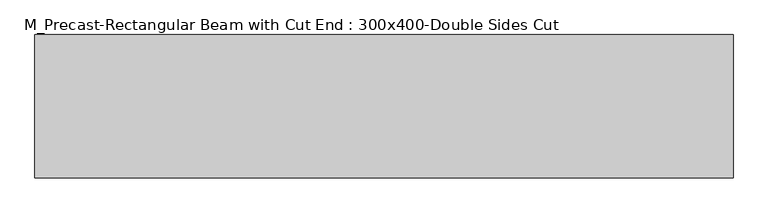
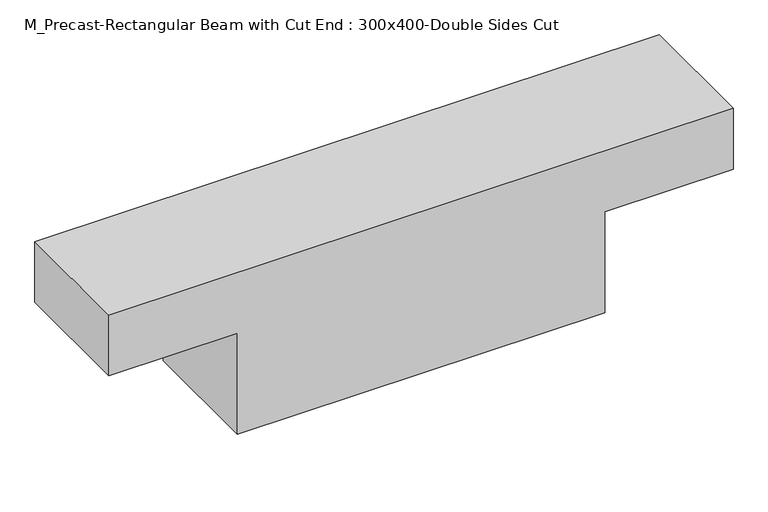
"""IFC4 building model written with IfcOpenShell, lengths in millimetres: beam geometry, M_Precast-Rectangular Beam with Cut End : 300x400-Double Sides Cut."""

from ifc_helpers import new_model, si_unit, frame, origin, place, context, project, spatial, polyline, outline, extrude, source, transform, mapped, element, save


def m_precast_rectangular_beam_with_cut_end_300x400_double_sides_0c5edc95(model_context):
    return source(origin(), model_context, "Body", "SweptSolid", [
        extrude(outline(polyline([(200.0, 730.0), (200.0, -730.0), (50.0, -730.0), (50.0, -430.0), (-200.0, -430.0), (-200.0, 430.0), (50.0, 430.0), (50.0, 730.0), (200.0, 730.0)])), frame((0.0, -150.0, 0.0), z_axis=(0.0, 1.0, 0.0), x_axis=(0.0, 0.0, 1.0)), (0.0, 0.0, 1.0), 300.0),
    ])


if __name__ == "__main__":
    model = new_model("IFC4")
    model_context = context("Model", 3, world=origin())
    ifc_project = project(units=[si_unit("LENGTHUNIT", "METRE", prefix="MILLI")], contexts=[model_context])
    site = spatial("IfcSite", under=ifc_project)
    building = spatial("IfcBuilding", under=site)
    placement = place(None, origin())
    m_precast_rectangular_beam_with_cut_end_300x400_double_sides_shape = m_precast_rectangular_beam_with_cut_end_300x400_double_sides_0c5edc95(model_context)
    element("IfcBeam", 1, ObjectType="M_Precast-Rectangular Beam with Cut End : 300x400-Double Sides Cut", at=placement, inside=building, context=model_context, shape_type="MappedRepresentation", body=[
        mapped(m_precast_rectangular_beam_with_cut_end_300x400_double_sides_shape, transform((0.0, 0.0, 0.0), x_axis=(1.0, 0.0, 0.0), y_axis=(0.0, 1.0, 0.0), z_axis=(0.0, 0.0, 1.0))),
    ])
    save(model, "model.ifc")
